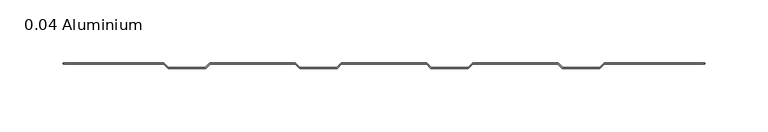
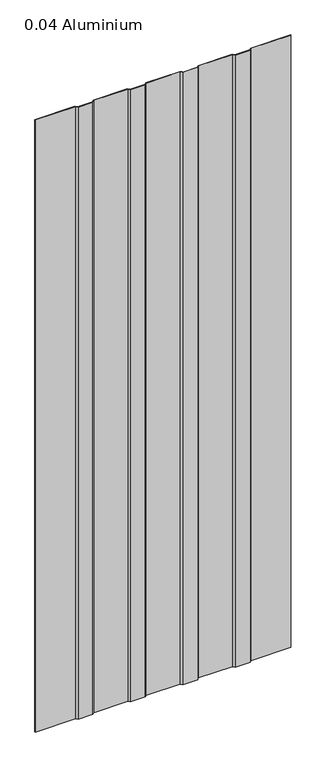
"""IFC4 building model written with IfcOpenShell, lengths in millimetres: plate geometry, 0.04 Aluminium."""

from ifc_helpers import new_model, si_unit, origin, origin_with_axes, place, context, project, spatial, polyline, outline, extrude, source, transform, mapped, element, save


def plate_0_04_aluminium_c12e473e(model_context):
    return source(origin(), model_context, "Body", "SweptSolid", [
        extrude(outline(polyline([(33.654793, 0.0), (-33.654793, 0.0), (-37.203173, -3.54838), (-66.870787, -3.54838), (-70.419167, 0.0), (-137.728753, 0.0), (-141.277133, -3.54838), (-170.944747, -3.54838), (-174.493127, 0.0), (-254.0, 0.0), (-254.0, 1.016), (-174.42942, 1.016), (-170.88104, -2.53238), (-141.34084, -2.53238), (-137.79246, 1.016), (-70.35546, 1.016), (-66.80708, -2.53238), (-37.26688, -2.53238), (-33.7185, 1.016), (33.7185, 1.016), (37.26688, -2.53238), (66.80708, -2.53238), (70.35546, 1.016), (137.79246, 1.016), (141.34084, -2.53238), (170.88104, -2.53238), (174.42942, 1.016), (254.0, 1.016), (254.0, 0.0), (174.493127, 0.0), (170.944747, -3.54838), (141.277133, -3.54838), (137.728753, 0.0), (70.419167, 0.0), (66.870787, -3.54838), (37.203173, -3.54838), (33.654793, 0.0)])), origin_with_axes(), (0.0, 0.0, 1.0), 1285.875),
    ])


if __name__ == "__main__":
    model = new_model("IFC4")
    model_context = context("Model", 3, world=origin())
    ifc_project = project(units=[si_unit("LENGTHUNIT", "METRE", prefix="MILLI")], contexts=[model_context])
    site = spatial("IfcSite", under=ifc_project)
    building = spatial("IfcBuilding", under=site)
    placement = place(None, origin())
    plate_0_04_aluminium_shape = plate_0_04_aluminium_c12e473e(model_context)
    element("IfcPlate", 1, ObjectType="0.04 Aluminium", at=placement, inside=building, context=model_context, shape_type="MappedRepresentation", body=[
        mapped(plate_0_04_aluminium_shape, transform((0.0, 0.0, 0.0), x_axis=(1.0, 0.0, 0.0), y_axis=(0.0, 1.0, 0.0), z_axis=(0.0, 0.0, 1.0))),
    ])
    save(model, "model.ifc")
